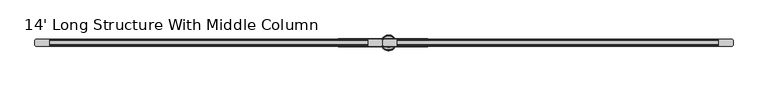
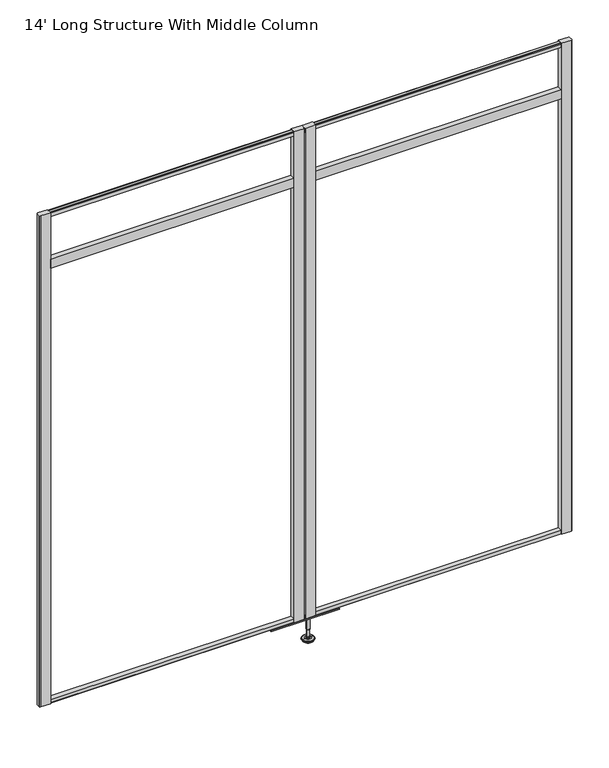
"""IFC4 building model written with IfcOpenShell, lengths in millimetres: furniture geometry, 14' Long Structure With Middle Column."""

from ifc_helpers import new_model, si_unit, frame, origin, place, context, project, spatial, polyline, circle_curve, outline, extrude, source, transform, mapped, element, save
from ifc_brep_helpers import plane_surface, cylinder_surface, revolved_surface, advanced_brep


def furniture_14_long_structure_with_middle_column_a2bb2277(model_context):
    return source(origin(), model_context, "Body", "SolidModel", [
        advanced_brep(
        [(1083.2425665, 0.0, 101.6), (1092.2204879, 0.0, 101.6), (1074.2646451, 0.0, 101.6), (1069.1383265, 0.0, 0.0206943), (1097.3468064, 0.0, 0.0206943), (1083.2425665, 0.0, 0.0206943), (1064.2602948, 0.0, 1.4194474), (1102.2248381, 0.0, 1.4194474), (1060.4983798, 0.0, 4.7394056), (1105.9867532, 0.0, 4.7394056), (1059.3809301, 0.0, 7.5051905), (1107.1042028, 0.0, 7.5051905), (1059.3809301, 0.0, 8.3065967), (1107.1042028, 0.0, 8.3065967), (1060.2233333, 0.0, 9.8469348), (1106.2617996, 0.0, 9.8469348), (1061.323476, 0.0, 10.8375077), (1105.161657, 0.0, 10.8375077), (1068.6271712, 0.0, 12.7338946), (1097.8579617, 0.0, 12.7338946), (1076.0453226, 0.0, 13.3828987), (1090.4398104, 0.0, 13.3828987), (1076.0453226, 0.0, 14.1772758), (1090.4398104, 0.0, 14.1772758), (1078.4421154, 0.0, 14.1772758), (1088.0430175, 0.0, 14.1772758), (1078.4421154, 0.0, 18.8098403), (1088.0430175, 0.0, 18.8098403), (1077.4262627, 0.0, 19.8256929), (1089.0588702, 0.0, 19.8256929), (1077.4262627, 0.0, 48.3056352), (1089.0588702, 0.0, 48.3056352), (1076.2027349, 0.0, 49.9293116), (1090.2823981, 0.0, 49.9293116), (1076.2027349, 0.0, 97.327223), (1090.2823981, 0.0, 97.327223), (1075.3216305, 0.0, 97.6479188), (1091.1635025, 0.0, 97.6479188), (1074.2726415, 0.0, 97.6479188), (1092.2124914, 0.0, 97.6479188), (1072.6076116, 0.0, 98.6092242), (1093.8775213, 0.0, 98.6092242), (1072.6076116, 0.0, 100.6043539), (1093.8775213, 0.0, 100.6043539)],
        [
            (0, 1),
            (1, 2, circle_curve(frame((1083.2425665, 0.0, 101.6), z_axis=(0.0, 0.0, 1.0), x_axis=(1.0, 0.0, 0.0)), 8.9779214)),
            (2, 0),
            (2, 1, circle_curve(frame((1083.2425665, 0.0, 101.6), z_axis=(0.0, 0.0, 1.0), x_axis=(1.0, 0.0, 0.0)), 8.9779214)),
            (3, 4, circle_curve(frame((1083.2425665, 0.0, 0.0206943), z_axis=(0.0, 0.0, -1.0), x_axis=(1.0, 0.0, 0.0)), 14.1042399)),
            (4, 5),
            (5, 3),
            (4, 3, circle_curve(frame((1083.2425665, 0.0, 0.0206943), z_axis=(0.0, 0.0, -1.0), x_axis=(1.0, 0.0, 0.0)), 14.1042399)),
            (6, 7, circle_curve(frame((1083.2425665, 0.0, 1.4194474), z_axis=(0.0, 0.0, -1.0), x_axis=(1.0, 0.0, 0.0)), 18.9822717)),
            (7, 4),
            (3, 6),
            (7, 6, circle_curve(frame((1083.2425665, 0.0, 1.4194474), z_axis=(0.0, 0.0, -1.0), x_axis=(1.0, 0.0, 0.0)), 18.9822717)),
            (8, 9, circle_curve(frame((1083.2425665, 0.0, 4.7394056), z_axis=(0.0, 0.0, -1.0), x_axis=(1.0, 0.0, 0.0)), 22.7441867)),
            (9, 7),
            (6, 8),
            (9, 8, circle_curve(frame((1083.2425665, 0.0, 4.7394056), z_axis=(0.0, 0.0, -1.0), x_axis=(1.0, 0.0, 0.0)), 22.7441867)),
            (10, 11, circle_curve(frame((1083.2425665, 0.0, 7.5051905), z_axis=(0.0, 0.0, -1.0), x_axis=(1.0, 0.0, 0.0)), 23.8616363)),
            (11, 9),
            (8, 10),
            (11, 10, circle_curve(frame((1083.2425665, 0.0, 7.5051905), z_axis=(0.0, 0.0, -1.0), x_axis=(1.0, 0.0, 0.0)), 23.8616363)),
            (12, 13, circle_curve(frame((1083.2425665, 0.0, 8.3065967), z_axis=(0.0, 0.0, -1.0), x_axis=(1.0, 0.0, 0.0)), 23.8616363)),
            (13, 11),
            (10, 12),
            (13, 12, circle_curve(frame((1083.2425665, 0.0, 8.3065967), z_axis=(0.0, 0.0, -1.0), x_axis=(1.0, 0.0, 0.0)), 23.8616363)),
            (14, 15, circle_curve(frame((1083.2425665, 0.0, 9.8469348), z_axis=(0.0, 0.0, -1.0), x_axis=(1.0, 0.0, 0.0)), 23.0192331)),
            (15, 13),
            (12, 14),
            (15, 14, circle_curve(frame((1083.2425665, 0.0, 9.8469348), z_axis=(0.0, 0.0, -1.0), x_axis=(1.0, 0.0, 0.0)), 23.0192331)),
            (16, 17, circle_curve(frame((1083.2425665, 0.0, 10.8375077), z_axis=(0.0, 0.0, -1.0), x_axis=(1.0, 0.0, 0.0)), 21.9190905)),
            (17, 15),
            (14, 16),
            (17, 16, circle_curve(frame((1083.2425665, 0.0, 10.8375077), z_axis=(0.0, 0.0, -1.0), x_axis=(1.0, 0.0, 0.0)), 21.9190905)),
            (18, 19, circle_curve(frame((1083.2425665, 0.0, 12.7338946), z_axis=(0.0, 0.0, -1.0), x_axis=(1.0, 0.0, 0.0)), 14.6153953)),
            (19, 17),
            (16, 18),
            (19, 18, circle_curve(frame((1083.2425665, 0.0, 12.7338946), z_axis=(0.0, 0.0, -1.0), x_axis=(1.0, 0.0, 0.0)), 14.6153953)),
            (20, 21, circle_curve(frame((1083.2425665, 0.0, 13.3828987), z_axis=(0.0, 0.0, -1.0), x_axis=(1.0, 0.0, 0.0)), 7.1972439)),
            (21, 19),
            (18, 20),
            (21, 20, circle_curve(frame((1083.2425665, 0.0, 13.3828987), z_axis=(0.0, 0.0, -1.0), x_axis=(1.0, 0.0, 0.0)), 7.1972439)),
            (22, 23, circle_curve(frame((1083.2425665, 0.0, 14.1772758), z_axis=(0.0, 0.0, -1.0), x_axis=(1.0, 0.0, 0.0)), 7.1972439)),
            (23, 21),
            (20, 22),
            (23, 22, circle_curve(frame((1083.2425665, 0.0, 14.1772758), z_axis=(0.0, 0.0, -1.0), x_axis=(1.0, 0.0, 0.0)), 7.1972439)),
            (24, 25, circle_curve(frame((1083.2425665, 0.0, 14.1772758), z_axis=(0.0, 0.0, -1.0), x_axis=(1.0, 0.0, 0.0)), 4.8004511)),
            (25, 23),
            (22, 24),
            (25, 24, circle_curve(frame((1083.2425665, 0.0, 14.1772758), z_axis=(0.0, 0.0, -1.0), x_axis=(1.0, 0.0, 0.0)), 4.8004511)),
            (26, 27, circle_curve(frame((1083.2425665, 0.0, 18.8098403), z_axis=(0.0, 0.0, -1.0), x_axis=(1.0, 0.0, 0.0)), 4.8004511)),
            (27, 25),
            (24, 26),
            (27, 26, circle_curve(frame((1083.2425665, 0.0, 18.8098403), z_axis=(0.0, 0.0, -1.0), x_axis=(1.0, 0.0, 0.0)), 4.8004511)),
            (28, 29, circle_curve(frame((1083.2425665, 0.0, 19.8256929), z_axis=(0.0, 0.0, -1.0), x_axis=(1.0, 0.0, 0.0)), 5.8163037)),
            (29, 27),
            (26, 28),
            (29, 28, circle_curve(frame((1083.2425665, 0.0, 19.8256929), z_axis=(0.0, 0.0, -1.0), x_axis=(1.0, 0.0, 0.0)), 5.8163037)),
            (30, 31, circle_curve(frame((1083.2425665, 0.0, 48.3056352), z_axis=(0.0, 0.0, -1.0), x_axis=(1.0, 0.0, 0.0)), 5.8163037)),
            (31, 29),
            (28, 30),
            (31, 30, circle_curve(frame((1083.2425665, 0.0, 48.3056352), z_axis=(0.0, 0.0, -1.0), x_axis=(1.0, 0.0, 0.0)), 5.8163037)),
            (32, 33, circle_curve(frame((1083.2425665, 0.0, 49.9293116), z_axis=(0.0, 0.0, -1.0), x_axis=(1.0, 0.0, 0.0)), 7.0398316)),
            (33, 31),
            (30, 32),
            (33, 32, circle_curve(frame((1083.2425665, 0.0, 49.9293116), z_axis=(0.0, 0.0, -1.0), x_axis=(1.0, 0.0, 0.0)), 7.0398316)),
            (34, 35, circle_curve(frame((1083.2425665, 0.0, 97.327223), z_axis=(0.0, 0.0, -1.0), x_axis=(1.0, 0.0, 0.0)), 7.0398316)),
            (35, 33),
            (32, 34),
            (35, 34, circle_curve(frame((1083.2425665, 0.0, 97.327223), z_axis=(0.0, 0.0, -1.0), x_axis=(1.0, 0.0, 0.0)), 7.0398316)),
            (36, 37, circle_curve(frame((1083.2425665, 0.0, 97.6479188), z_axis=(0.0, 0.0, -1.0), x_axis=(1.0, 0.0, 0.0)), 7.920936)),
            (37, 35),
            (34, 36),
            (37, 36, circle_curve(frame((1083.2425665, 0.0, 97.6479188), z_axis=(0.0, 0.0, -1.0), x_axis=(1.0, 0.0, 0.0)), 7.920936)),
            (38, 39, circle_curve(frame((1083.2425665, 0.0, 97.6479188), z_axis=(0.0, 0.0, -1.0), x_axis=(1.0, 0.0, 0.0)), 8.9699249)),
            (39, 37),
            (36, 38),
            (39, 38, circle_curve(frame((1083.2425665, 0.0, 97.6479188), z_axis=(0.0, 0.0, -1.0), x_axis=(1.0, 0.0, 0.0)), 8.9699249)),
            (40, 41, circle_curve(frame((1083.2425665, 0.0, 98.6092242), z_axis=(0.0, 0.0, -1.0), x_axis=(1.0, 0.0, 0.0)), 10.6349548)),
            (41, 39),
            (38, 40),
            (41, 40, circle_curve(frame((1083.2425665, 0.0, 98.6092242), z_axis=(0.0, 0.0, -1.0), x_axis=(1.0, 0.0, 0.0)), 10.6349548)),
            (42, 43, circle_curve(frame((1083.2425665, 0.0, 100.6043539), z_axis=(0.0, 0.0, -1.0), x_axis=(1.0, 0.0, 0.0)), 10.6349548)),
            (43, 41),
            (40, 42),
            (43, 42, circle_curve(frame((1083.2425665, 0.0, 100.6043539), z_axis=(0.0, 0.0, -1.0), x_axis=(1.0, 0.0, 0.0)), 10.6349548)),
            (1, 43),
            (42, 2),
        ],
        [
            plane_surface(frame((1083.2425665, 0.0, 101.6), z_axis=(0.0, 0.0, 1.0), x_axis=(1.0, 0.0, 0.0))),
            plane_surface(frame((1083.2425665, 0.0, 0.0206943), z_axis=(0.0, 0.0, -1.0), x_axis=(1.0, 0.0, 0.0))),
            revolved_surface(polyline([(1097.3468064, 0.0, 0.0206943), (1102.2248381, 0.0, 1.4194474)]), (1083.2425665, 0.0, 101.6), (0.0, 0.0, 1.0)),
            revolved_surface(polyline([(1102.2248381, 0.0, 1.4194474), (1105.9867532, 0.0, 4.7394056)]), (1083.2425665, 0.0, 101.6), (0.0, 0.0, 1.0)),
            revolved_surface(polyline([(1105.9867532, 0.0, 4.7394056), (1107.1042028, 0.0, 7.5051905)]), (1083.2425665, 0.0, 101.6), (0.0, 0.0, 1.0)),
            cylinder_surface(frame((1083.2425665, 0.0, 101.6), z_axis=(0.0, 0.0, 1.0), x_axis=(1.0, 0.0, 0.0)), 23.8616363),
            revolved_surface(polyline([(1107.1042028, 0.0, 8.3065967), (1106.2617996, 0.0, 9.8469348)]), (1083.2425665, 0.0, 101.6), (0.0, 0.0, 1.0)),
            revolved_surface(polyline([(1106.2617996, 0.0, 9.8469348), (1105.161657, 0.0, 10.8375077)]), (1083.2425665, 0.0, 101.6), (0.0, 0.0, 1.0)),
            revolved_surface(polyline([(1105.161657, 0.0, 10.8375077), (1097.8579617, 0.0, 12.7338946)]), (1083.2425665, 0.0, 101.6), (0.0, 0.0, 1.0)),
            revolved_surface(polyline([(1097.8579617, 0.0, 12.7338946), (1090.4398104, 0.0, 13.3828987)]), (1083.2425665, 0.0, 101.6), (0.0, 0.0, 1.0)),
            cylinder_surface(frame((1083.2425665, 0.0, 101.6), z_axis=(0.0, 0.0, 1.0), x_axis=(1.0, 0.0, 0.0)), 7.1972439),
            plane_surface(frame((1083.2425665, 0.0, 14.1772758), z_axis=(0.0, 0.0, 1.0), x_axis=(1.0, 0.0, 0.0))),
            cylinder_surface(frame((1083.2425665, 0.0, 101.6), z_axis=(0.0, 0.0, 1.0), x_axis=(1.0, 0.0, 0.0)), 4.8004511),
            revolved_surface(polyline([(1088.0430175, 0.0, 18.8098403), (1089.0588702, 0.0, 19.8256929)]), (1083.2425665, 0.0, 101.6), (0.0, 0.0, 1.0)),
            cylinder_surface(frame((1083.2425665, 0.0, 101.6), z_axis=(0.0, 0.0, 1.0), x_axis=(1.0, 0.0, 0.0)), 5.8163037),
            revolved_surface(polyline([(1089.0588702, 0.0, 48.3056352), (1090.2823981, 0.0, 49.9293116)]), (1083.2425665, 0.0, 101.6), (0.0, 0.0, 1.0)),
            cylinder_surface(frame((1083.2425665, 0.0, 101.6), z_axis=(0.0, 0.0, 1.0), x_axis=(1.0, 0.0, 0.0)), 7.0398316),
            revolved_surface(polyline([(1090.2823981, 0.0, 97.327223), (1091.1635025, 0.0, 97.6479188)]), (1083.2425665, 0.0, 101.6), (0.0, 0.0, 1.0)),
            plane_surface(frame((1083.2425665, 0.0, 97.6479188), z_axis=(0.0, 0.0, -1.0), x_axis=(1.0, 0.0, 0.0))),
            revolved_surface(polyline([(1092.2124914, 0.0, 97.6479188), (1093.8775213, 0.0, 98.6092242)]), (1083.2425665, 0.0, 101.6), (0.0, 0.0, 1.0)),
            cylinder_surface(frame((1083.2425665, 0.0, 101.6), z_axis=(0.0, 0.0, 1.0), x_axis=(1.0, 0.0, 0.0)), 10.6349548),
            revolved_surface(polyline([(1093.8775213, 0.0, 100.6043539), (1092.2204879, 0.0, 101.6)]), (1083.2425665, 0.0, 101.6), (0.0, 0.0, 1.0)),
        ],
        [
            (0, [[1, 2, 3]]),
            (0, [[-3, 4, -1]]),
            (1, [[5, 6, 7]]),
            (1, [[8, -7, -6]]),
            (2, [[9, 10, -5, 11]]),
            (2, [[12, -11, -8, -10]]),
            (3, [[13, 14, -9, 15]]),
            (3, [[16, -15, -12, -14]]),
            (4, [[17, 18, -13, 19]]),
            (4, [[20, -19, -16, -18]]),
            (5, [[21, 22, -17, 23]]),
            (5, [[24, -23, -20, -22]]),
            (6, [[25, 26, -21, 27]]),
            (6, [[28, -27, -24, -26]]),
            (7, [[29, 30, -25, 31]]),
            (7, [[32, -31, -28, -30]]),
            (8, [[33, 34, -29, 35]]),
            (8, [[36, -35, -32, -34]]),
            (9, [[37, 38, -33, 39]]),
            (9, [[40, -39, -36, -38]]),
            (10, [[41, 42, -37, 43]]),
            (10, [[44, -43, -40, -42]]),
            (11, [[45, 46, -41, 47]]),
            (11, [[48, -47, -44, -46]]),
            (12, [[49, 50, -45, 51]]),
            (12, [[52, -51, -48, -50]]),
            (13, [[53, 54, -49, 55]]),
            (13, [[56, -55, -52, -54]]),
            (14, [[57, 58, -53, 59]]),
            (14, [[60, -59, -56, -58]]),
            (15, [[61, 62, -57, 63]]),
            (15, [[64, -63, -60, -62]]),
            (16, [[65, 66, -61, 67]]),
            (16, [[68, -67, -64, -66]]),
            (17, [[69, 70, -65, 71]]),
            (17, [[72, -71, -68, -70]]),
            (18, [[73, 74, -69, 75]]),
            (18, [[76, -75, -72, -74]]),
            (19, [[77, 78, -73, 79]]),
            (19, [[80, -79, -76, -78]]),
            (20, [[81, 82, -77, 83]]),
            (20, [[84, -83, -80, -82]]),
            (21, [[-2, 85, -81, 86]]),
            (21, [[-4, -86, -84, -85]]),
        ],
    ),
        extrude(outline(polyline([(1107.7829, 10.5559997), (1107.7829, -10.5559997), (1069.0079049, -10.5559997), (1066.7279932, -9.6109027), (1065.7828837, -7.3310001), (1065.7828837, 7.3310001), (1066.7279932, 9.6109027), (1069.0079049, 10.5559997), (1107.7829, 10.5559997)])), frame((0.0, 0.0, 103.4818084), z_axis=(0.0, 0.0, 1.0), x_axis=(1.0, 0.0, 0.0)), (0.0, 0.0, 1.0), 2081.3499916),
        extrude(outline(polyline([(1021.4229, 10.5559997), (1060.1978951, 10.5559997), (1062.4778068, 9.6109027), (1063.4229163, 7.3310001), (1063.4229163, -7.3310001), (1062.4778068, -9.6109027), (1060.1978951, -10.5559997), (1021.4229, -10.5559997), (1021.4229, 10.5559997)])), frame((0.0, 0.0, 103.4818084), z_axis=(0.0, 0.0, 1.0), x_axis=(1.0, 0.0, 0.0)), (0.0, 0.0, 1.0), 2081.3499916),
        extrude(outline(polyline([(1202.2319218, 12.2069997), (1202.2319218, -12.2069997), (928.5994782, -12.2069997), (928.5994782, 12.2069997), (1202.2319218, 12.2069997)])), frame((0.0, 0.0, 97.327223), z_axis=(0.0, 0.0, 1.0), x_axis=(1.0, 0.0, 0.0)), (0.0, 0.0, 1.0), 3.8128244),
        extrude(outline(polyline([(2094.611, 10.5559997), (2094.611, -10.5559997), (1107.7829, -10.5559997), (1107.7829, 10.5559997), (2094.611, 10.5559997)])), frame((0.0, 0.0, 1949.2990402), z_axis=(0.0, 0.0, 1.0), x_axis=(1.0, 0.0, 0.0)), (0.0, 0.0, 1.0), 38.1),
        extrude(outline(polyline([(43.1799273, -10.5559997), (43.1799273, 10.5559997), (1021.4229, 10.5559997), (1021.4229, -10.5559997), (43.1799273, -10.5559997)])), frame((0.0, 0.0, 1949.2990402), z_axis=(0.0, 0.0, 1.0), x_axis=(1.0, 0.0, 0.0)), (0.0, 0.0, 1.0), 38.1),
        extrude(outline(polyline([(-8.9429997, 2166.849753), (-8.9429997, 2180.8497706), (-8.0643203, 2182.9710074), (-5.943, 2183.8497328), (5.943, 2183.8497328), (8.0643203, 2182.9710074), (8.9429997, 2180.8497706), (8.9429997, 2166.849753), (-8.9429997, 2166.849753)])), frame((43.1799273, 0.0, 0.0), z_axis=(1.0, 0.0, 0.0), x_axis=(0.0, 1.0, 0.0)), (0.0, 0.0, 1.0), 2051.4310727),
        extrude(outline(polyline([(43.1799273, 10.5559997), (43.1799273, -10.5559997), (3.2032054, -10.5559997), (0.9232937, -9.6109027), (-0.0218157, -7.3310001), (-0.0218157, 7.3310001), (0.9232937, 9.6109027), (3.2032054, 10.5559997), (43.1799273, 10.5559997)])), frame((0.0, 0.0, 101.6), z_axis=(0.0, 0.0, 1.0), x_axis=(1.0, 0.0, 0.0)), (0.0, 0.0, 1.0), 2083.2318),
        extrude(outline(polyline([(2094.611, 10.5559997), (2134.8084304, 10.5559997), (2137.0883784, 9.6109027), (2137.918, 7.6093626), (2137.918, -7.6093626), (2137.0883784, -9.6109027), (2134.8084304, -10.5559997), (2094.611, -10.5559997), (2094.611, 10.5559997)])), frame((0.0, 0.0, 101.6), z_axis=(0.0, 0.0, 1.0), x_axis=(1.0, 0.0, 0.0)), (0.0, 0.0, 1.0), 2083.2318),
        extrude(outline(polyline([(-8.9429997, 118.1400272), (8.9429997, 118.1400272), (8.9429997, 104.1400097), (8.0643203, 102.0187729), (5.943, 101.1400475), (-5.943, 101.1400475), (-8.0643203, 102.0187729), (-8.9429997, 104.1400097), (-8.9429997, 118.1400272)])), frame((43.1799273, 0.0, 0.0), z_axis=(1.0, 0.0, 0.0), x_axis=(0.0, 1.0, 0.0)), (0.0, 0.0, 1.0), 2051.4310727),
    ])


if __name__ == "__main__":
    model = new_model("IFC4")
    model_context = context("Model", 3, world=origin())
    ifc_project = project(units=[si_unit("LENGTHUNIT", "METRE", prefix="MILLI")], contexts=[model_context])
    site = spatial("IfcSite", under=ifc_project)
    building = spatial("IfcBuilding", under=site)
    placement = place(None, origin())
    furniture_14_long_structure_with_middle_column_shape = furniture_14_long_structure_with_middle_column_a2bb2277(model_context)
    element("IfcFurniture", 1, ObjectType="14' Long Structure With Middle Column", at=placement, inside=building, context=model_context, shape_type="MappedRepresentation", body=[
        mapped(furniture_14_long_structure_with_middle_column_shape, transform((0.0, 0.0, 0.0), x_axis=(1.0, 0.0, 0.0), y_axis=(0.0, 1.0, 0.0), z_axis=(0.0, 0.0, 1.0))),
    ])
    save(model, "model.ifc")
